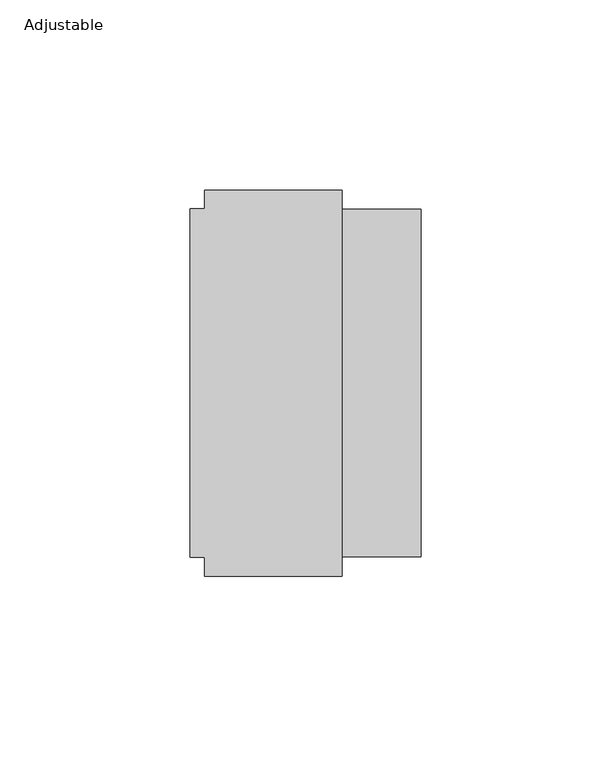
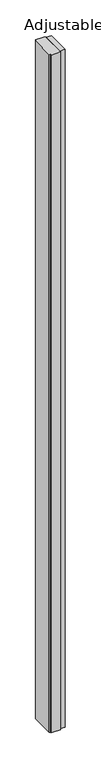
"""IFC4 building model written with IfcOpenShell, lengths in millimetres: furniture geometry, Adjustable."""

from ifc_helpers import new_model, si_unit, origin, origin_with_axes, place, context, project, spatial, polyline, outline, extrude, source, transform, mapped, element, save


def adjustable_3c376a8b(model_context):
    return source(origin(), model_context, "Body", "SweptSolid", [
        extrude(outline(polyline([(29.9771531, 61.348805), (29.9771531, 66.301805), (66.0451531, 66.301805), (66.0451531, -35.298195), (29.9771531, -35.298195), (29.9771531, -30.345195), (26.0401531, -30.345195), (26.0401531, 61.348805), (29.9771531, 61.348805)])), origin_with_axes(), (0.0, 0.0, 1.0), 2743.2),
        extrude(outline(polyline([(86.8731531, 61.221805), (86.8731531, -30.218195), (66.0451531, -30.218195), (66.0451531, 61.221805), (86.8731531, 61.221805)])), origin_with_axes(), (0.0, 0.0, 1.0), 2743.2),
    ])


if __name__ == "__main__":
    model = new_model("IFC4")
    model_context = context("Model", 3, world=origin())
    ifc_project = project(units=[si_unit("LENGTHUNIT", "METRE", prefix="MILLI")], contexts=[model_context])
    site = spatial("IfcSite", under=ifc_project)
    building = spatial("IfcBuilding", under=site)
    placement = place(None, origin())
    adjustable_shape = adjustable_3c376a8b(model_context)
    element("IfcFurniture", 1, ObjectType="Adjustable", at=placement, inside=building, context=model_context, shape_type="MappedRepresentation", body=[
        mapped(adjustable_shape, transform((0.0, 0.0, 0.0), x_axis=(1.0, 0.0, 0.0), y_axis=(0.0, 1.0, 0.0), z_axis=(0.0, 0.0, 1.0))),
    ])
    save(model, "model.ifc")
